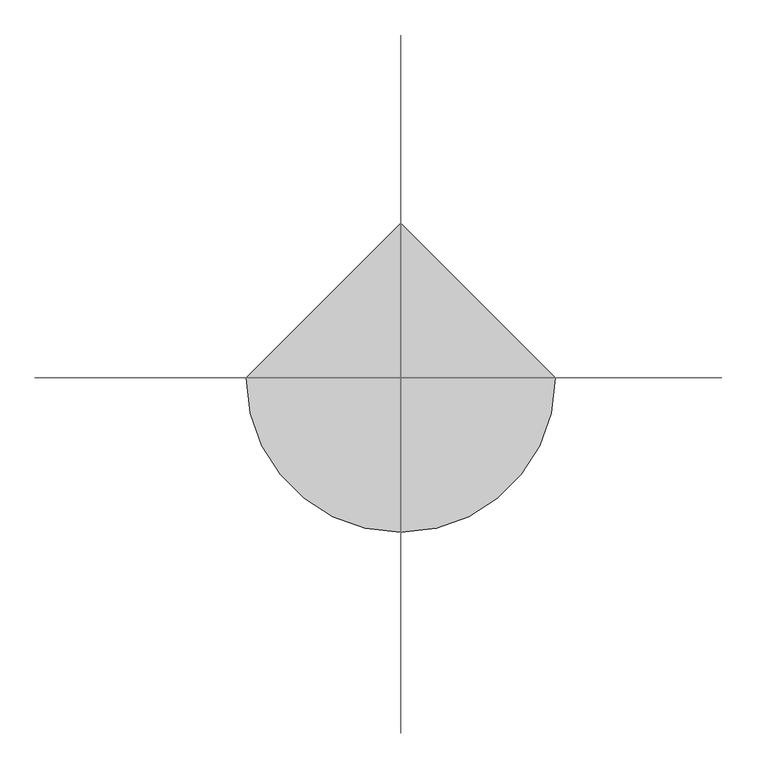
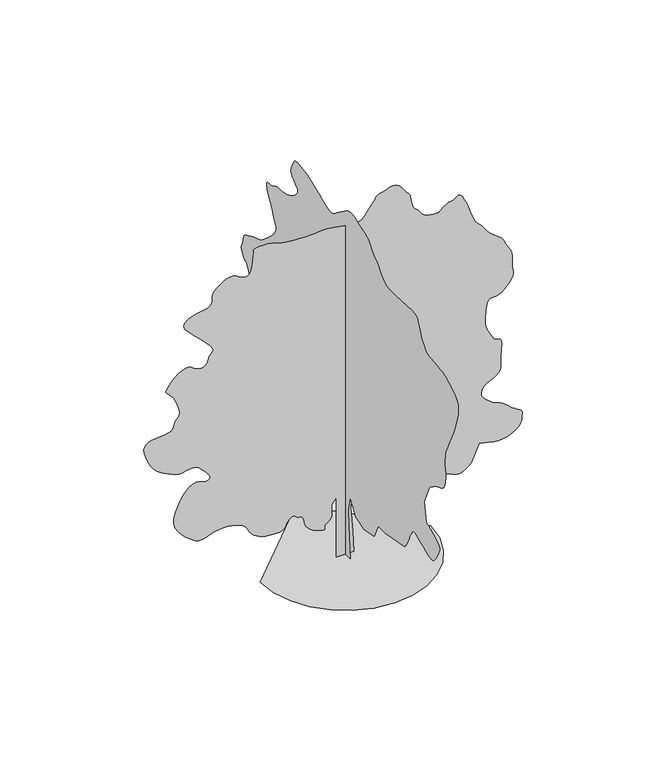
"""IFC4 building model written with IfcOpenShell, lengths in millimetres: geographic element geometry."""

from ifc_helpers import new_model, si_unit, origin, place, context, project, spatial, triangles, source, transform, mapped, element, save


def geographic_element_bd571b27(model_context):
    return source(origin(), model_context, "Body", "Tessellation", [
        triangles([(0.0096603, 171.3641949, 0.0), (0.0096603, -164.3963971, 0.0), (0.0096603, -110.2415995, 639.0272009), (0.0096603, -99.4103565, 942.2937916), (0.0096603, -164.3963971, 1223.8995678), (0.0096603, -337.6926144, 942.2937916), (0.0096603, -619.2970098, 855.6463915), (0.0096603, -944.2257957, 931.4634207), (0.0096603, -1074.1975863, 1202.2374453), (0.0096603, -1301.6486012, 1202.2374453), (0.0096603, -1929.8439777, 1321.3787922), (0.0096603, -1952.9579739, 1349.2612473), (0.0096603, -1975.5119751, 1377.3326443), (0.0096603, -1996.9180813, 1405.7820705), (0.0096603, -2016.6160069, 1434.8039909), (0.0096603, -2034.0460476, 1464.5819698), (0.0096603, -2048.6339653, 1495.3120708), (0.0096603, -2059.8200558, 1527.1620163), (0.0096603, -2070.6840729, 1559.9780365), (0.0096603, -2084.3900677, 1593.3540516), (0.0096603, -2100.4620518, 1627.2060551), (0.0096603, -2118.4240368, 1661.4359425), (0.0096603, -2137.813987, 1695.9460453), (0.0096603, -2158.1419613, 1730.6520664), (0.0096603, -2178.960022, 1765.4419487), (0.0096603, -2188.8720623, 1776.6839951), (0.0096603, -2202.5780571, 1785.7559704), (0.0096603, -2223.8580082, 1790.4600437), (0.0096603, -2256.5060154, 1788.6259987), (0.0096603, -2304.3160332, 1778.0840549), (0.0096603, -2371.0680634, 1756.6359455), (0.0096603, -2460.5559151, 1722.125988), (0.0096603, -2555.0420082, 1681.5120426), (0.0096603, -2635.4998878, 1645.2659992), (0.0096603, -2703.8340889, 1616.3979939), (0.0096603, -2761.9340309, 1597.9600204), (0.0096603, -2811.7039581, 1592.9760223), (0.0096603, -2855.0199188, 1604.4699429), (0.0096603, -2893.8001099, 1635.4799686), (0.0096603, -2932.9299889, 1684.3259697), (0.0096603, -2973.3760666, 1743.7839684), (0.0096603, -3011.1760849, 1808.5480385), (0.0096603, -3042.3398804, 1873.3119633), (0.0096603, -3062.8921143, 1932.7699619), (0.0096603, -3068.8699471, 1981.630061), (0.0096603, -3056.2701347, 2014.5579929), (0.0096603, -3025.4839325, 2039.3519737), (0.0096603, -2981.047982, 2066.9739796), (0.0096603, -2925.2580734, 2096.9760727), (0.0096603, -2860.3538956, 2128.8680214), (0.0096603, -2788.6460632, 2162.1880806), (0.0096603, -2712.3879272, 2196.4460186), (0.0096603, -2633.8619064, 2231.179945), (0.0096603, -2568.8740128, 2599.4361008), (0.0096603, -2731.330085, 2978.5141251), (0.0096603, -2736.4539001, 2985.7520554), (0.0096603, -2744.406031, 2994.5861092), (0.0096603, -2758.0560699, 3006.6539772), (0.0096603, -2780.2180893, 3023.5520737), (0.0096603, -2813.7480194, 3046.8759407), (0.0096603, -2861.5020813, 3078.2641411), (0.0096603, -2926.2940567, 3119.3258789), (0.0096603, -2996.5880219, 3156.5238991), (0.0096603, -3058.9159035, 3180.8279388), (0.0096603, -3113.2919449, 3200.5959183), (0.0096603, -3159.7161461, 3224.1581429), (0.0096603, -3198.1739731, 3259.844046), (0.0096603, -3228.6799599, 3315.9839333), (0.0096603, -3251.2201538, 3400.9220627), (0.0096603, -3264.2679039, 3484.3480751), (0.0096603, -3268.0200005, 3537.8419029), (0.0096603, -3265.1501175, 3572.57612), (0.0096603, -3258.2900711, 3599.7360901), (0.0096603, -3250.1141167, 3630.4940964), (0.0096603, -3243.2680229, 3676.0221313), (0.0096603, -3240.39814, 3747.5200928), (0.0096603, -3241.4059273, 3826.3960922), (0.0096603, -3245.8300758, 3891.817971), (0.0096603, -3255.7419708, 3951.5701378), (0.0096603, -3273.2281128, 4013.3939804), (0.0096603, -3300.3880829, 4085.0739075), (0.0096603, -3339.2941383, 4174.3800842), (0.0096603, -3392.017955, 4289.0681419), (0.0096603, -3442.0820503, 4392.7379768), (0.0096603, -3475.4579201, 4455.2899727), (0.0096603, -3498.0260193, 4493.9719139), (0.0096603, -3515.6798836, 4526.017923), (0.0096603, -3534.2860153, 4568.676075), (0.0096603, -3559.6960922, 4639.1941544), (0.0096603, -3597.8178932, 4754.7920403), (0.0096603, -3638.894165, 4888.5202148), (0.0096603, -3666.5299782, 5003.6841156), (0.0096603, -3676.540123, 5102.9298019), (0.0096603, -3664.751889, 5188.918158), (0.0096603, -3627.0219246, 5264.2937897), (0.0096603, -3559.1641479, 5331.7042099), (0.0096603, -3457.0061394, 5393.8219299), (0.0096603, -3357.8860268, 5444.8798599), (0.0096603, -3292.6879715, 5480.0341095), (0.0096603, -3247.5660164, 5503.2321121), (0.0096603, -3208.6881569, 5518.4922272), (0.0096603, -3162.2360504, 5529.7618881), (0.0096603, -3094.3779831, 5541.0321304), (0.0096603, -2991.2819504, 5556.2922455), (0.0096603, -2880.6959679, 5568.3182556), (0.0096603, -2794.9320168, 5572.9662277), (0.0096603, -2726.9759903, 5578.7338989), (0.0096603, -2669.8280251, 5594.1759796), (0.0096603, -2616.4600616, 5627.8041595), (0.0096603, -2559.871946, 5688.1580338), (0.0096603, -2493.0501526, 5783.7359207), (0.0096603, -2434.6980457, 5888.8202042), (0.0096603, -2400.2159935, 5973.2679565), (0.0096603, -2377.6760902, 6038.9418549), (0.0096603, -2355.122089, 6087.7598053), (0.0096603, -2320.6400368, 6121.6118088), (0.0096603, -2262.2880753, 6142.3878662), (0.0096603, -2168.1240555, 6151.9919312), (0.0096603, -1648.2339867, 6119.4979843), (0.0096603, -1552.4040802, 6121.1781143), (0.0096603, -1474.381953, 6120.9542908), (0.0096603, -1408.0919586, 6124.9023056), (0.0096603, -1347.4972561, 6139.0700455), (0.0096603, -1286.5216175, 6169.5478363), (0.0096603, -1219.1045843, 6222.3701935), (0.0096603, -1139.1827911, 6303.6262802), (0.0096603, -1062.1674339, 6385.6939453), (0.0096603, -1004.4748072, 6441.6102997), (0.0096603, -961.5620195, 6478.40224), (0.0096603, -928.8789854, 6503.0699203), (0.0096603, -901.8814327, 6522.6140762), (0.0096603, -876.0192032, 6544.048233), (0.0096603, -846.7480247, 6574.3998688), (0.0096603, -818.6444349, 6610.240123), (0.0096603, -795.6549952, 6643.6159927), (0.0096603, -772.2889795, 6674.7239777), (0.0096603, -743.0486132, 6703.7320908), (0.0096603, -702.4401907, 6730.8641556), (0.0096603, -644.9687714, 6756.2881851), (0.0096603, -565.1422122, 6780.186145), (0.0096603, -475.5267883, 6806.5200027), (0.0096603, -391.9733854, 6835.6961288), (0.0096603, -313.9136152, 6862.6037888), (0.0096603, -240.7817964, 6882.1200394), (0.0096603, -172.0067974, 6889.1341461), (0.0096603, -107.0204843, 6878.5220032), (0.0096603, -45.2555589, 6845.1740387), (0.0096603, 279.6738084, 6606.8938156), (0.0096603, 314.850186, 6574.8760025), (0.0096603, 348.8912041, 6545.6998764), (0.0096603, 385.9617974, 6522.1943344), (0.0096603, 430.2339861, 6507.2278061), (0.0096603, 485.8728138, 6503.6297699), (0.0096603, 557.0473938, 6514.2419128), (0.0096603, 647.927021, 6541.9059219), (0.0096603, 751.058008, 6582.9819031), (0.0096603, 854.9464342, 6629.1819901), (0.0096603, 957.6980112, 6676.3337631), (0.0096603, 1057.4185959, 6720.2520126), (0.0096603, 1152.2139725, 6756.7922241), (0.0096603, 1240.1872364, 6781.7680252), (0.0096603, 1319.446788, 6791.0221115), (0.0096603, 1391.5370098, 6796.0758728), (0.0096603, 1458.5060326, 6807.5699387), (0.0096603, 1519.2380814, 6820.0023193), (0.0096603, 1572.5640415, 6827.8977676), (0.0096603, 1617.3780212, 6825.7560379), (0.0096603, 1652.5180275, 6808.0739777), (0.0096603, 1676.8640705, 6769.3501785), (0.0096603, 1698.62001, 6720.7002411), (0.0096603, 1723.5959564, 6675.8303055), (0.0096603, 1747.0600765, 6633.2282547), (0.0096603, 1764.2799557, 6591.3819717), (0.0096603, 1770.4960007, 6548.7938736), (0.0096603, 1760.9900402, 6503.923938), (0.0096603, 1731.0299503, 6455.2600479), (0.0096603, 1685.1799873, 6410.6703278), (0.0096603, 1636.0960648, 6375.7399017), (0.0096603, 1591.1980785, 6345.556279), (0.0096603, 1557.8499687, 6315.1761566), (0.0096603, 1543.4579693, 6279.685881), (0.0096603, 1555.3860203, 6234.1578461), (0.0096603, 1601.0540176, 6173.6499115), (0.0096603, 1664.1100525, 6113.3658005), (0.0096603, 1723.5680511, 6069.3923218), (0.0096603, 1779.8060429, 6038.0878372), (0.0096603, 1833.2020569, 6015.8979126), (0.0096603, 1884.1339771, 5999.1820724), (0.0096603, 1932.9940762, 5984.3841385), (0.0096603, 1980.1320419, 5967.8642166), (0.0096603, 2027.2140518, 5955.1382492), (0.0096603, 2075.6260677, 5950.9379242), (0.0096603, 2125.3539917, 5950.532135), (0.0096603, 2176.412067, 5949.1740784), (0.0096603, 2228.8000031, 5942.1320663), (0.0096603, 2282.5179451, 5924.659877), (0.0096603, 2337.5520859, 5892.0543091), (0.0096603, 2394.434079, 5863.0880539), (0.0096603, 2450.3501427, 5852.7003159), (0.0096603, 2500.3999947, 5850.2638367), (0.0096603, 2539.6560287, 5845.1821701), (0.0096603, 2563.1761047, 5826.8420105), (0.0096603, 2566.0459877, 5784.6178436), (0.0096603, 2543.3520241, 5707.9260132), (0.0096603, 2509.8081413, 5627.2158234), (0.0096603, 2481.9618759, 5572.8400726), (0.0096603, 2457.5180191, 5533.9901184), (0.0096603, 2434.2220573, 5499.8858047), (0.0096603, 2409.7780552, 5459.7202332), (0.0096603, 2381.9179825, 5402.6981323), (0.0096603, 2348.3880524, 5318.0120224), (0.0096603, 2312.9540234, 5234.7118744), (0.0096603, 2282.4619892, 5182.0999695), (0.0096603, 2259.1520748, 5149.760083), (0.0096603, 2245.3200703, 5127.2759903), (0.0096603, 2243.2340057, 5104.232048), (0.0096603, 2255.1760094, 5070.1841263), (0.0096603, 2283.4000134, 5014.7439056), (0.0096603, 2333.6460743, 4941.2582748), (0.0096603, 2404.1500557, 4863.2360023), (0.0096603, 2486.0360458, 4785.3959862), (0.0096603, 2570.3718864, 4712.4841576), (0.0096603, 2648.2819565, 4649.2319138), (0.0096603, 2710.8339523, 4600.386058), (0.0096603, 2749.1380096, 4570.664035), (0.0096603, 2783.1440735, 4552.0721466), (0.0096603, 2834.2020035, 4533.2840492), (0.0096603, 2895.4939018, 4514.1180679), (0.0096603, 2960.2021614, 4494.3779938), (0.0096603, 3021.4940598, 4473.8821518), (0.0096603, 3072.5519897, 4452.447995), (0.0096603, 3106.5580536, 4429.8659431), (0.0096603, 3135.0339317, 4411.1060417), (0.0096603, 3171.2939278, 4397.84813), (0.0096603, 3211.1380074, 4384.9681023), (0.0096603, 3250.4219467, 4367.3421432), (0.0096603, 3284.9739075, 4339.8740524), (0.0096603, 3310.6080986, 4297.426062), (0.0096603, 3323.1800056, 4234.9019714), (0.0096603, 3333.4700752, 4172.0979561), (0.0096603, 3351.1521355, 4127.6759583), (0.0096603, 3370.346022, 4094.8041275), (0.0096603, 3385.2000572, 4066.6639847), (0.0096603, 3389.8058807, 4036.452166), (0.0096603, 3378.3121056, 3997.3219963), (0.0096603, 3344.837986, 3942.4701118), (0.0096603, 3303.2861618, 3891.0901085), (0.0096603, 3269.6858871, 3860.3739601), (0.0096603, 3241.3919746, 3840.4519203), (0.0096603, 3215.7441216, 3821.4679047), (0.0096603, 3190.1099304, 3793.580072), (0.0096603, 3161.8160179, 3746.9459999), (0.0096603, 3128.2160339, 3671.6959419), (0.0096603, 3091.5921066, 3596.3200195), (0.0096603, 3057.9921227, 3548.8040245), (0.0096603, 3030.453978, 3518.5221519), (0.0096603, 3012.0161499, 3494.8619682), (0.0096603, 3005.7020004, 3467.2401077), (0.0096603, 3014.5360542, 3425.0159409), (0.0096603, 3041.5701599, 3357.606102), (0.0096603, 3077.4798866, 3283.868161), (0.0096603, 3111.2900322, 3226.621946), (0.0096603, 3143.6020134, 3181.1221069), (0.0096603, 3174.9480652, 3142.6221313), (0.0096603, 3205.929895, 3106.4039932), (0.0096603, 3237.0939812, 3067.722052), (0.0096603, 3269.0141258, 3021.8440384), (0.0096603, 3306.0580856, 2976.5959282), (0.0096603, 3349.1638847, 2939.6781235), (0.0096603, 3393.7820915, 2906.1760986), (0.0096603, 3435.3760643, 2871.1480042), (0.0096603, 3469.3821281, 2829.6941391), (0.0096603, 3491.263932, 2776.85812), (0.0096603, 3496.4720444, 2707.7399551), (0.0096603, 3500.8540443, 2653.4621635), (0.0096603, 3516.9960823, 2635.5559891), (0.0096603, 3535.4060051, 2634.7019714), (0.0096603, 3546.6201462, 2631.580069), (0.0096603, 3541.1460617, 2606.8559967), (0.0096603, 3509.5479904, 2541.2100037), (0.0096603, 3442.3201172, 2415.3079502), (0.0096603, 3372.026152, 2274.0899712), (0.0096603, 3329.5921143, 2170.2099747), (0.0096603, 3303.0620476, 2095.8700356), (0.0096603, 3280.5221443, 2043.3280392), (0.0096603, 3250.0161575, 2004.800013), (0.0096603, 3199.6160362, 1972.530035), (0.0096603, 3117.3940201, 1938.7480854), (0.0096603, 3022.4599892, 1911.3359505), (0.0096603, 2938.9081123, 1899.84203), (0.0096603, 2862.1741333, 1898.9599617), (0.0096603, 2787.7219917, 1903.3839649), (0.0096603, 2710.9880127, 1907.7940155), (0.0096603, 2627.4361359, 1906.9119473), (0.0096603, 2532.5160576, 1895.4180267), (0.0096603, 2437.8479988, 1885.1279572), (0.0096603, 2356.0599678, 1887.3400314), (0.0096603, 2284.1280212, 1895.9919743), (0.0096603, 2219.0139725, 1905.0219463), (0.0096603, 2157.6940235, 1908.367963), (0.0096603, 2097.1299877, 1899.9680397), (0.0096603, 2034.2839691, 1873.7600464), (0.0096603, 1974.1399658, 1845.8999737), (0.0096603, 1924.3979439, 1831.312056), (0.0096603, 1886.2200417, 1822.0300644), (0.0096603, 1860.7400562, 1810.1020134), (0.0096603, 1849.0920753, 1787.5480122), (0.0096603, 1852.4100414, 1746.4439804), (0.0096603, 1871.8280422, 1678.7960747), (0.0096603, 1903.1460434, 1606.9340366), (0.0096603, 1940.7219475, 1556.0859776), (0.0096603, 1983.5200619, 1522.7800163), (0.0096603, 2030.476062, 1503.4880253), (0.0096603, 2080.5539646, 1494.7100727), (0.0096603, 2132.7180771, 1492.9319836), (0.0096603, 2185.9180275, 1494.6680695), (0.0096603, 2391.7179657, 1267.2239582), (0.0096603, 2407.846051, 1241.6137482), (0.0096603, 2423.316037, 1215.5318373), (0.0096603, 2437.4699696, 1188.5020191), (0.0096603, 2449.6219894, 1160.0498314), (0.0096603, 2459.1280952, 1129.7048086), (0.0096603, 2465.3160896, 1096.9910351), (0.0096603, 2467.5281639, 1061.4352112), (0.0096603, 2467.1499893, 1024.3632008), (0.0096603, 2464.5039299, 987.6706003), (0.0096603, 2457.2939049, 951.7368198), (0.0096603, 2443.2799347, 916.9384352), (0.0096603, 2420.1660839, 883.656237), (0.0096603, 2385.6840317, 852.268182), (0.0096603, 2337.5520859, 823.1538254), (0.0096603, 2291.6460217, 798.4283724), (0.0096603, 2259.3760437, 779.1980055), (0.0096603, 2231.8380444, 764.3258028), (0.0096603, 2200.1280613, 752.6736071), (0.0096603, 2155.3560848, 743.1060225), (0.0096603, 2088.6040546, 734.484819), (0.0096603, 1990.9680084, 725.674601), (0.0096603, 1879.9060375, 726.9373873), (0.0096603, 1777.5660633, 746.3890343), (0.0096603, 1682.0439869, 779.6726131), (0.0096603, 1591.4499527, 822.4271982), (0.0096603, 1503.8939598, 870.2988401), (0.0096603, 1417.4579567, 918.927776), (0.0096603, 1330.2772316, 963.9559868), (0.0096603, 1252.5338665, 1004.9116264), (0.0096603, 1192.4107922, 1043.5936403), (0.0096603, 1144.9816378, 1079.0555746), (0.0096603, 1105.3209772, 1110.348432), (0.0096603, 1068.5024397, 1136.5256132), (0.0096603, 1029.5992184, 1156.6408098), (0.0096603, 983.6861778, 1169.7448065), (0.0096603, 933.1938383, 1180.7963848), (0.0096603, 883.4601734, 1194.5009989), (0.0096603, 833.9155958, 1209.5327848), (0.0096603, 783.992989, 1224.5631901), (0.0096603, 733.1212395, 1238.2678768), (0.0096603, 680.7346115, 1249.3193825), (0.0096603, 626.2648258, 1256.3922066), (0.0096603, 570.5629932, 1260.0867485), (0.0096603, 514.8598163, 1262.076162), (0.0096603, 459.15802, 1262.6445866), (0.0096603, 403.4561874, 1262.076162), (0.0096603, 347.7543912, 1260.6551731), (0.0096603, 292.0511961, 1258.6657597), (0.0096603, 236.3493998, 1256.3922066), (0.0096603, 128.040077, 1093.9277773), (0.0096603, 106.3778818, 844.8160206), (157.0492075, 0.0003364, 0.0051588), (-167.8795966, 0.0003364, 0.0051588), (-167.8795966, 0.0002664, 1191.4112165), (-254.5283956, 0.0002664, 1072.2711777), (-254.5283956, 0.0002804, 942.2993872), (-252.5390003, 0.0002804, 912.143379), (-252.5390003, 0.0002804, 882.0811878), (-256.517809, 0.0002804, 852.209392), (-266.4634047, 0.0002944, 822.6218084), (-284.3679986, 0.0002944, 793.4136349), (-312.2196053, 0.0002944, 764.6772348), (-352.0062029, 0.0002944, 736.5106401), (-383.1730142, 0.0002944, 707.2702011), (-391.7942176, 0.0002944, 677.6504248), (-389.8048041, 0.0002944, 651.2534168), (-389.1412182, 0.0002944, 631.6743793), (-401.7412122, 0.0002944, 622.5170168), (-439.5383964, 0.0002944, 627.3806007), (-514.4705958, 0.0002944, 649.8632401), (-599.9504073, 0.0002944, 684.8828321), (-663.8309921, 0.0002944, 724.4482224), (-709.7118399, 0.0002944, 767.8048056), (-741.1950199, 0.0002944, 814.1910004), (-761.8786411, 0.0002804, 862.8508209), (-775.3619751, 0.0002804, 913.026828), (-785.2460375, 0.0002804, 963.9615824), (-787.7716101, 0.0002804, 977.8230183), (-791.5292295, 0.0002804, 991.3064249), (-797.7494167, 0.0002804, 1004.033773), (-807.6655993, 0.0002804, 1015.6215832), (-822.5056091, 0.0002804, 1025.6945875), (-843.5056355, 0.0002804, 1033.8733761), (-871.8934376, 0.0002804, 1039.7786116), (-900.2812397, 0.0002804, 1049.503018), (-922.6056038, 0.0002804, 1065.8605951), (-942.0893709, 0.0002664, 1083.5440361), (-961.95124, 0.0002664, 1097.2485775), (-985.413834, 0.0002664, 1101.6698193), (-1015.6957792, 0.0002664, 1091.5016172), (-1056.0199894, 0.0002804, 1061.439426), (-1091.4806156, 0.0002804, 1019.3792027), (-1111.5958122, 0.0002804, 978.2654331), (-1126.2159954, 0.0002804, 940.3729786), (-1145.1930347, 0.0002804, 907.9742294), (-1178.3814159, 0.0002804, 883.3454275), (-1235.6302471, 0.0002804, 868.7559837), (-1326.794014, 0.0002804, 866.4824306), (-1427.5240574, 0.0002804, 873.1772255), (-1509.3119431, 0.0002804, 884.2288038), (-1575.7420452, 0.0002804, 900.018029), (-1630.4400146, 0.0002804, 920.9214043), (-1676.9900803, 0.0002804, 947.3197929), (-1718.9760349, 0.0002804, 979.592605), (-1760.0380634, 0.0002804, 1018.1164164), (-1794.8559963, 0.0002804, 1060.3655817), (-1819.8460407, 0.0002664, 1102.8065958), (-1841.0280327, 0.0002664, 1144.2983946), (-1864.4920074, 0.0002664, 1183.7070356), (-1896.285997, 0.0002664, 1219.8941437), (-1942.486084, 0.0002664, 1251.7246136), (-2009.1400097, 0.0002664, 1278.06007), (-2076.158012, 0.0002664, 1298.0786156), (-2124.7800442, 0.0002523, 1312.2255718), (-2163.1820606, 0.0002523, 1321.2569973), (-2199.4980125, 0.0002523, 1325.9302586), (-2241.8619965, 0.0002523, 1327.0040302), (-2298.4499668, 0.0002523, 1325.2358242), (-2377.3960201, 0.0002523, 1321.383007), (-2464.1960999, 0.0002523, 1307.7105858), (-2541.3501114, 0.0002664, 1282.2907711), (-2612.4280403, 0.0002664, 1254.5974033), (-2681.0418755, 0.0002664, 1234.1041775), (-2750.8038963, 0.0002664, 1230.2836258), (-2825.2839432, 0.0002664, 1252.6079899), (-2908.1079575, 0.0002523, 1310.5525635), (-2994.7680748, 0.0002523, 1388.042601), (-3074.7780167, 0.0002523, 1464.9599991), (-3142.8599075, 0.0002383, 1544.7320194), (-3193.694014, 0.0002383, 1630.74799), (-3221.9879265, 0.0002383, 1726.4239815), (-3222.4361549, 0.0002243, 1835.1760643), (-3189.7180939, 0.0002243, 1960.4060658), (-3134.9641685, 0.0002103, 2086.7140537), (-3073.9519043, 0.0002103, 2195.0320061), (-3008.4041611, 0.0001963, 2283.260051), (-2940.0141495, 0.0001963, 2349.3119785), (-2870.4759521, 0.0001963, 2391.1159676), (-2801.5121384, 0.0001963, 2406.6000515), (-2734.8159187, 0.0001963, 2393.6499699), (-2671.9139442, 0.0001963, 2371.8659798), (-2616.2219948, 0.0001963, 2362.5700356), (-2572.2618874, 0.0001963, 2366.36399), (-2544.5978783, 0.0001963, 2383.7940308), (-2537.7799805, 0.0001963, 2415.43396), (-2556.3439636, 0.0001963, 2461.8581612), (-2604.8401314, 0.0001822, 2523.6259026), (-2661.4000511, 0.0001822, 2585.5759003), (-2704.5061409, 0.0001822, 2633.3160095), (-2739.2679726, 0.0001822, 2668.5539749), (-2770.8099426, 0.0001822, 2692.9981224), (-2804.2561569, 0.0001822, 2708.3419533), (-2844.701944, 0.0001682, 2716.3080368), (-2897.2859436, 0.0001682, 2718.5759216), (-2951.2140472, 0.0001822, 2713.4939644), (-2995.8741119, 0.0001822, 2701.776075), (-3036.5440132, 0.0001822, 2688.7419868), (-3078.5440659, 0.0001822, 2679.6701569), (-3127.166098, 0.0001822, 2679.8939804), (-3187.7301338, 0.0001822, 2694.7061577), (-3265.541954, 0.0001682, 2729.4118881), (-3348.1139488, 0.0001682, 2770.9360977), (-3420.8301498, 0.0001682, 2806.9580269), (-3485.7901382, 0.0001682, 2843.9458855), (-3545.0519279, 0.0001682, 2888.3120728), (-3600.7299248, 0.0001682, 2946.4960213), (-3654.8821426, 0.0001542, 3024.9659409), (-3709.6081627, 0.0001542, 3130.1621361), (-3754.8559822, 0.0001402, 3239.3200081), (-3779.832074, 0.0001402, 3327.0719193), (-3785.4881241, 0.0001402, 3395.8819633), (-3772.7621567, 0.0001262, 3448.1999908), (-3742.6061485, 0.0001262, 3486.5040482), (-3695.9720764, 0.0001262, 3513.2439857), (-3633.7840118, 0.0001262, 3530.8981407), (-3560.3681442, 0.0001262, 3541.0341499), (-3482.7941002, 0.0001262, 3547.0119827), (-3406.1441277, 0.0001262, 3553.913887), (-3335.5699471, 0.0001262, 3566.8921646), (-3276.1820023, 0.0001262, 3591.0560966), (-3233.0759125, 0.0001262, 3631.5018837), (-3211.3760742, 0.0001121, 3693.3681656), (-3195.345948, 0.0001121, 3753.106089), (-3170.5800179, 0.0001121, 3792.0121445), (-3144.3159233, 0.0001121, 3822.3919762), (-3123.7221222, 0.0001121, 3856.5521004), (-3116.0220108, 9.81e-05, 3906.8260666), (-3128.3979996, 9.81e-05, 3985.5201004), (-3168.0601135, 9.81e-05, 4104.9401367), (-3224.227906, 8.41e-05, 4222.5681313), (-3277.9461388, 8.41e-05, 4296.6139023), (-3324.0758812, 8.41e-05, 4340.5461044), (-3357.5220955, 7.01e-05, 4367.790081), (-3373.1461418, 7.01e-05, 4391.8139053), (-3365.8521103, 7.01e-05, 4426.0859413), (-3330.5158951, 7.01e-05, 4484.0321136), (-3273.5641388, 7.01e-05, 4556.3419441), (-3207.6940315, 5.61e-05, 4622.2120514), (-3137.2739113, 5.61e-05, 4677.8478996), (-3066.6581635, 5.61e-05, 4719.4700684), (-3000.227916, 5.61e-05, 4743.2700691), (-2942.3099396, 5.61e-05, 4745.4821434), (-2897.2859436, 5.61e-05, 4722.3120461), (-2853.1441612, 5.61e-05, 4687.7600853), (-2798.7681198, 5.61e-05, 4660.7960335), (-2739.8420654, 5.61e-05, 4645.0039742), (-2682.0499535, 5.61e-05, 4643.9958961), (-2631.0899826, 5.61e-05, 4661.3701263), (-2592.6321556, 5.61e-05, 4700.7101669), (-2572.3601372, 5.61e-05, 4765.6280067), (-2553.7819107, 5.61e-05, 4827.5219032), (-2524.6060753, 4.21e-05, 4864.2161751), (-2496.7601006, 4.21e-05, 4888.9678619), (-2482.1720375, 4.21e-05, 4915.0499908), (-2492.7838898, 4.21e-05, 4955.7201828), (-2540.523999, 4.21e-05, 5024.2503021), (-2637.3480309, 2.8e-05, 5133.8843079), (-2758.7560272, 2.8e-05, 5257.7279114), (-2867.2839958, 1.4e-05, 5362.0558456), (-2955.3579803, 1.4e-05, 5449.9062973), (-3015.3761192, 1.4e-05, 5524.3017563), (-3039.7920708, 0.0, 5588.2821533), (-3021.0039734, 0.0, 5644.8699783), (-2951.4381615, 0.0, 5697.0900467), (-2858.6601036, 0.0, 5737.3259628), (-2775.5561646, 0.0, 5760.3140945), (-2702.4899849, 0.0, 5772.6900833), (-2639.8400299, -1.4e-05, 5781.090152), (-2587.9838928, -1.4e-05, 5792.1359894), (-2547.3139915, -1.4e-05, 5812.477771), (-2518.1939667, -1.4e-05, 5848.7238144), (-2503.6759575, -1.4e-05, 5891.6060806), (-2501.4638832, -1.4e-05, 5929.1822754), (-2503.9840782, -1.4e-05, 5964.1121201), (-2503.6759575, -1.4e-05, 5999.0419647), (-2492.9379501, -2.8e-05, 6036.6181595), (-2464.1960999, -2.8e-05, 6079.4998444), (-2409.889967, -2.8e-05, 6130.3339508), (-2343.4180069, -2.8e-05, 6180.636113), (-2282.6300022, -2.8e-05, 6219.7662827), (-2226.5880741, -4.21e-05, 6247.1361237), (-2174.3260025, -4.21e-05, 6262.2003204), (-2124.9060539, -4.21e-05, 6264.3839081), (-2077.3759609, -4.21e-05, 6253.1002945), (-2030.812088, -2.8e-05, 6227.8157913), (-1982.8060066, -2.8e-05, 6196.904306), (-1933.3020515, -2.8e-05, 6172.8098465), (-1884.7359753, -2.8e-05, 6161.0221939), (-1839.5720169, -2.8e-05, 6167.0561279), (-1800.2880775, -2.8e-05, 6196.3863144), (-1769.3479603, -4.21e-05, 6254.5281143), (-1749.2019516, -4.21e-05, 6346.9561935), (-1737.1759415, -4.21e-05, 6446.2018799), (-1728.5520493, -5.61e-05, 6522.8942917), (-1722.7699894, -5.61e-05, 6579.7059402), (-1719.2700577, -5.61e-05, 6619.2698044), (-1717.4640633, -5.61e-05, 6644.2461868), (-1716.8059639, -5.61e-05, 6657.2942276), (-1716.7080048, -5.61e-05, 6661.0463242), (-1702.4700657, -5.61e-05, 6663.2578171), (-1663.7879791, -5.61e-05, 6668.1301941), (-1606.7240204, -5.61e-05, 6672.9880371), (-1537.3539814, -5.61e-05, 6675.2001114), (-1461.7260395, -5.61e-05, 6672.1061142), (-1385.9062489, -5.61e-05, 6661.0463242), (-1315.9635704, -5.61e-05, 6639.3877625), (-1251.829549, -5.61e-05, 6615.2938843), (-1187.5065857, -5.61e-05, 6597.8362289), (-1120.15263, -5.61e-05, 6585.6701111), (-1046.9241783, -5.61e-05, 6577.493866), (-964.9822323, -5.61e-05, 6571.9779236), (-871.4818348, -5.61e-05, 6567.7781799), (-763.5823889, -5.61e-05, 6563.5778549), (-659.4420158, -5.61e-05, 6562.9761475), (-573.6779921, -5.61e-05, 6568.057814), (-498.1452115, -5.61e-05, 6575.2259811), (-424.6970057, -5.61e-05, 6580.8820313), (-345.1868154, -5.61e-05, 6581.4139755), (-251.4652104, -5.61e-05, 6573.2383118), (-135.3874211, -5.61e-05, 6552.7418884), (-18.0464196, -5.61e-05, 6528.3677948), (76.5589988, -5.61e-05, 6511.5682388), (152.2177982, -5.61e-05, 6503.2943253), (212.7202098, -5.61e-05, 6504.4837875), (261.8546017, -5.61e-05, 6516.1179611), (303.4094054, -5.61e-05, 6539.1060928), (341.1757957, -5.61e-05, 6574.3998688), (503.6401886, -7.01e-05, 6780.186145), (528.0183881, -7.01e-05, 6811.924324), (547.4699987, -7.01e-05, 6841.7719208), (565.0260129, -7.01e-05, 6869.1417618), (583.7202207, -7.01e-05, 6893.4879501), (606.5821973, -7.01e-05, 6914.2361023), (636.6444248, -7.01e-05, 6930.8118347), (676.9363695, -7.01e-05, 6942.6558792), (726.3228172, -8.41e-05, 6956.2358643), (780.2563711, -8.41e-05, 6974.366153), (836.6526381, -8.41e-05, 6990.9697906), (893.429623, -8.41e-05, 7000.0000534), (948.5000261, -8.41e-05, 6995.3939392), (999.780617, -8.41e-05, 6971.0762375), (1045.1896185, -7.01e-05, 6920.9978989), (1085.5123753, -7.01e-05, 6863.8781296), (1122.4261831, -7.01e-05, 6819.4418884), (1155.1722221, -7.01e-05, 6783.1539871), (1182.9915997, -7.01e-05, 6750.4780746), (1205.1270218, -7.01e-05, 6716.8498947), (1220.8209766, -5.61e-05, 6677.7203064), (1229.3147896, -5.61e-05, 6628.551796), (1235.2199524, -5.61e-05, 6577.5921158), (1243.3988136, -5.61e-05, 6535.158078), (1253.4717453, -5.61e-05, 6499.8218628), (1265.0595554, -4.21e-05, 6470.1701843), (1277.7856682, -4.21e-05, 6444.7740601), (1291.2690022, -4.21e-05, 6422.2341568), (1305.1318188, -4.21e-05, 6401.1081207), (1319.1514572, -4.21e-05, 6391.6023056), (1333.7408283, -4.21e-05, 6380.7663391), (1349.4655952, -4.21e-05, 6367.2840225), (1366.896944, -4.21e-05, 6349.8257858), (1386.6006832, -4.21e-05, 6327.062059), (1409.1420399, -4.21e-05, 6297.6621094), (1435.0980137, -4.21e-05, 6260.3103195), (1473.5699387, -2.8e-05, 6224.8060913), (1527.9459801, -2.8e-05, 6200.5017609), (1590.274007, -2.8e-05, 6185.2701324), (1652.602034, -2.8e-05, 6177.0659821), (1706.9780754, -2.8e-05, 6173.7760666), (1745.4500004, -2.8e-05, 6173.3417908), (1760.0380634, -2.8e-05, 6173.6638641), (1767.5140606, -2.8e-05, 6181.4622253), (1788.0799564, -2.8e-05, 6201.5662308), (1818.8660133, -2.8e-05, 6229.0761795), (1857.0440609, -4.21e-05, 6259.0359787), (1899.7580235, -4.21e-05, 6286.5459274), (1944.1939739, -4.21e-05, 6306.6638855), (1987.4820293, -4.21e-05, 6314.4622467), (2026.2899803, -4.21e-05, 6323.9680618), (2060.5480637, -4.21e-05, 6345.4022186), (2092.3560059, -4.21e-05, 6368.1659454), (2123.7719662, -4.21e-05, 6381.6622147), (2156.8959618, -4.21e-05, 6375.2498154), (2193.8140572, -4.21e-05, 6338.3323013), (2236.5980736, -4.21e-05, 6260.3103195), (2276.8899456, -2.8e-05, 6168.6380081), (2306.9479946, -2.8e-05, 6094.5919464), (2329.8099712, -2.8e-05, 6033.2299942), (2348.4999641, -1.4e-05, 5979.6518692), (2366.0560146, -1.4e-05, 5928.9020599), (2385.5160187, -1.4e-05, 5876.0802841), (2409.889967, -1.4e-05, 5816.2298676), (2434.9359673, 0.0, 5763.7162125), (2456.3701241, 0.0, 5730.3397614), (2477.2441406, 0.0, 5707.3940689), (2500.5819603, 0.0, 5686.1418777), (2529.4081078, 0.0, 5657.8761612), (2566.7598976, 0.0, 5613.8881485), (2615.6760979, 0.0, 5545.456279), (2675.890155, 1.4e-05, 5469.2958115), (2741.9840858, 1.4e-05, 5405.6380692), (2809.2119591, 1.4e-05, 5351.0658188), (2872.8420868, 2.8e-05, 5302.1920578), (2928.1279564, 2.8e-05, 5255.5861816), (2970.3521233, 2.8e-05, 5207.8321198), (2994.7680748, 2.8e-05, 5155.5422882), (3013.9340561, 2.8e-05, 5104.2599533), (3040.6739937, 4.21e-05, 5058.2842712), (3070.6480362, 4.21e-05, 5012.3080078), (3099.473893, 4.21e-05, 4961.0262543), (3122.8120033, 4.21e-05, 4899.1463104), (3136.2940292, 5.61e-05, 4821.3339088), (3135.5661667, 5.61e-05, 4722.3120461), (3134.081955, 5.61e-05, 4627.1399483), (3142.2579094, 7.01e-05, 4557.727906), (3151.1899223, 7.01e-05, 4504.0521126), (3151.9881294, 7.01e-05, 4456.0460312), (3135.7199364, 7.01e-05, 4403.7000984), (3093.5100128, 8.41e-05, 4336.9341156), (3016.4260551, 8.41e-05, 4245.7379379), (2924.9499527, 8.41e-05, 4169.1719719), (2845.5981102, 8.41e-05, 4138.4421616), (2778.5519119, 8.41e-05, 4131.7780334), (2724.0221008, 8.41e-05, 4127.3960335), (2682.1761086, 9.81e-05, 4103.4841209), (2653.2240967, 9.81e-05, 4038.2860657), (2637.3340782, 9.81e-05, 3909.9901176), (2631.3981033, 0.0001121, 3768.0159348), (2632.2939789, 0.0001121, 3668.0979057), (2640.1760559, 0.0001262, 3597.9440483), (2655.2821106, 0.0001262, 3545.2059883), (2677.7659126, 0.0001262, 3497.5920341), (2707.8239616, 0.0001262, 3442.768055), (2745.6518852, 0.0001402, 3368.4420685), (2788.8140762, 0.0001402, 3303.8041534), (2832.3681038, 0.0001402, 3274.4039131), (2872.6880264, 0.0001402, 3262.4340042), (2906.1900513, 0.0001402, 3250.0859207), (2929.2761421, 0.0001402, 3219.5520287), (2938.3340195, 0.0001542, 3153.0101601), (2929.7798904, 0.0001542, 3032.6800049), (2918.1599602, 0.0001682, 2900.0160095), (2916.3821617, 0.0001682, 2802.9821068), (2918.4119797, 0.0001682, 2733.4160042), (2918.1599602, 0.0001822, 2683.1838959), (2909.5639732, 0.0001822, 2644.1240707), (2886.5761322, 0.0001822, 2608.0878983), (2843.1340164, 0.0001822, 2566.9421539), (2790.6479759, 0.0001822, 2528.3578812), (2744.2240654, 0.0001822, 2502.2760429), (2703.3021446, 0.0001822, 2483.9640793), (2667.3081207, 0.0001963, 2468.676059), (2635.6679008, 0.0001963, 2451.693956), (2607.8219261, 0.0001963, 2428.2580318), (2583.182151, 0.0001963, 2393.6499699), (2563.6100899, 0.0001963, 2353.5820667), (2552.5500092, 0.0001963, 2315.7820484), (2551.9201057, 0.0001963, 2278.5559776), (2563.6100899, 0.0002103, 2240.1820118), (2589.4960098, 0.0002103, 2198.9800209), (2631.4960625, 0.0002103, 2153.2140644), (2691.499958, 0.0002103, 2101.2179649), (2755.0879372, 0.0002103, 2055.6480721), (2809.0299934, 0.0002103, 2025.8000393), (2856.8959671, 0.0002243, 2004.8700668), (2902.3120903, 0.0002243, 1986.0260136), (2948.8479126, 0.0002243, 1962.4360291), (3000.1299568, 0.0002243, 1927.2820702), (3059.7420158, 0.0002243, 1873.7600464), (3123.0361176, 0.0002243, 1818.4740314), (3181.3880791, 0.0002243, 1778.910022), (3232.5439682, 0.0002383, 1749.5660282), (3274.2219475, 0.0002383, 1724.9679657), (3304.1541321, 0.0002383, 1699.61399), (3320.0720558, 0.0002383, 1668.0019661), (3319.6938812, 0.0002383, 1624.6440022), (3313.4779816, 0.0002383, 1575.4199718), (3309.7119324, 0.0002523, 1529.2200302), (3302.9219398, 0.0002523, 1485.1060078), (3287.6060143, 0.0002523, 1442.1400257), (3258.2761185, 0.0002523, 1399.3475796), (3209.4299721, 0.0002523, 1355.8019817), (3135.5661667, 0.0002523, 1310.5525635), (3047.3660271, 0.0002664, 1273.9229679), (2959.1801308, 0.0002664, 1254.9138084), (2870.9799911, 0.0002664, 1250.5877644), (2782.7801422, 0.0002664, 1258.0078056), (2694.5939552, 0.0002664, 1274.238065), (2606.3941063, 0.0002664, 1296.342675), (2518.1939667, 0.0002523, 1321.383007), (2366.5600536, 0.0002804, 985.6237776), (2329.4040367, 0.0002804, 953.414043), (2292.0380035, 0.0002804, 922.9108177), (2254.3080391, 0.0002804, 895.8179947), (2216.0039818, 0.0002804, 873.8393944), (2176.9440113, 0.0002804, 858.6829794), (2136.9320641, 0.0002804, 852.0526428), (2095.7860291, 0.0002804, 855.6519871), (2062.2559536, 0.0002804, 863.8293949), (2041.0319584, 0.0002804, 870.6823923), (2025.8840458, 0.0002804, 877.5353897), (2010.5400696, 0.0002804, 885.7127975), (1988.7419815, 0.0002804, 896.5446218), (1954.2600746, 0.0002804, 911.3538197), (1900.83601, 0.0002804, 931.4690163), (1831.2420021, 0.0002804, 960.6771898), (1755.2079803, 0.0002804, 999.3592037), (1676.8919758, 0.0002804, 1043.725173), (1600.4800701, 0.0002664, 1089.9854307), (1530.1160511, 0.0002664, 1134.3514), (1469.9999531, 0.0002664, 1173.0334139), (1424.2759998, 0.0002664, 1202.2430408), (1385.5590317, 0.0002664, 1227.9778072), (1344.0041553, 0.0002664, 1258.2598251), (1300.0792202, 0.0002664, 1292.333036), (1254.2613773, 0.0002523, 1329.4358585), (1207.0212376, 0.0002523, 1368.8122341), (1158.8346439, 0.0002523, 1409.7020348), (1110.1748234, 0.0002523, 1451.3519634), (1099.3429991, 0.0002383, 1613.8219883), (882.7238085, 0.0002383, 1635.4799686), (492.8084006, 0.0002383, 1602.9860218), (232.8662004, 0.0002523, 1462.1880753), (124.5560419, 0.0002664, 1202.2430408), (102.8942645, 0.0002804, 898.9749968), (135.3868579, 0.0003084, 400.7514107), (-1599.3039791, 0.0, 0.0125606), (-1557.0240017, -366.4556116, 0.0125606), (-1436.6099854, -702.9876137, 0.0125606), (-1247.7079983, -999.9513914, 0.0125606), (-999.9513914, -1247.7079983, 0.0125606), (-702.9876137, -1436.6099854, 0.0125606), (-366.4556116, -1557.0240017, 0.0125606), (6.99e-05, -1599.3039791, 0.0125606), (366.4556116, -1557.0240017, 0.0125606), (702.9876137, -1436.6099854, 0.0125606), (999.9513914, -1247.7079983, 0.0125606), (1247.7079983, -999.9513914, 0.0125606), (1436.6099854, -702.9876137, 0.0125606), (1557.0240017, -366.4556116, 0.0125606), (1599.3039791, 0.0001402, 0.0125606), (-0.0002097, 1599.3039791, 0.0125606)], [[1, 2, 3], [368, 1, 3], [368, 3, 4], [367, 368, 4], [367, 4, 5], [277, 278, 279], [366, 367, 5], [276, 277, 279], [276, 279, 280], [7, 8, 9], [6, 7, 9], [5, 6, 9], [315, 316, 317], [201, 202, 203], [200, 201, 203], [200, 203, 204], [199, 200, 204], [199, 204, 205], [198, 199, 205], [198, 205, 206], [198, 206, 207], [197, 198, 207], [197, 207, 208], [275, 276, 280], [196, 197, 208], [195, 196, 208], [194, 195, 208], [194, 208, 209], [193, 194, 209], [192, 193, 209], [192, 209, 210], [191, 192, 210], [191, 210, 211], [191, 211, 212], [190, 191, 212], [190, 212, 213], [190, 213, 214], [189, 190, 214], [189, 214, 215], [188, 189, 215], [187, 188, 215], [186, 187, 215], [10, 11, 12], [314, 315, 317], [10, 12, 13], [10, 13, 14], [10, 14, 15], [10, 15, 16], [10, 16, 17], [10, 17, 18], [10, 18, 19], [10, 19, 20], [10, 20, 21], [10, 21, 22], [185, 186, 215], [185, 215, 216], [275, 280, 281], [10, 22, 23], [167, 168, 169], [166, 167, 169], [165, 166, 169], [165, 169, 170], [164, 165, 170], [164, 170, 171], [163, 164, 171], [163, 171, 172], [163, 172, 173], [163, 173, 174], [163, 174, 175], [163, 175, 176], [163, 176, 177], [163, 177, 178], [163, 178, 179], [163, 179, 180], [162, 163, 180], [161, 162, 180], [160, 161, 180], [159, 160, 180], [159, 180, 181], [158, 159, 181], [157, 158, 181], [156, 157, 181], [156, 181, 182], [155, 156, 182], [154, 155, 182], [154, 182, 183], [9, 10, 23], [9, 23, 24], [9, 24, 25], [45, 46, 47], [44, 45, 47], [44, 47, 48], [43, 44, 48], [43, 48, 49], [42, 43, 49], [42, 49, 50], [41, 42, 50], [40, 41, 50], [40, 50, 51], [39, 40, 51], [38, 39, 51], [37, 38, 51], [36, 37, 51], [35, 36, 51], [34, 35, 51], [33, 34, 51], [33, 51, 52], [32, 33, 52], [32, 52, 53], [31, 32, 53], [30, 31, 53], [29, 30, 53], [28, 29, 53], [28, 53, 54], [27, 28, 54], [26, 27, 54], [5, 9, 25], [5, 25, 26], [5, 26, 54], [5, 54, 55], [366, 5, 55], [365, 366, 55], [364, 365, 55], [363, 364, 55], [362, 363, 55], [361, 362, 55], [361, 55, 56], [153, 154, 183], [153, 183, 184], [313, 314, 317], [360, 361, 56], [184, 185, 216], [153, 184, 216], [152, 153, 216], [152, 216, 217], [243, 244, 245], [242, 243, 245], [242, 245, 246], [241, 242, 246], [241, 246, 247], [241, 247, 248], [240, 241, 248], [240, 248, 249], [240, 249, 250], [239, 240, 250], [239, 250, 251], [238, 239, 251], [237, 238, 251], [236, 237, 251], [235, 236, 251], [234, 235, 251], [233, 234, 251], [232, 233, 251], [231, 232, 251], [230, 231, 251], [229, 230, 251], [228, 229, 251], [228, 251, 252], [227, 228, 252], [226, 227, 252], [226, 252, 253], [226, 253, 254], [226, 254, 255], [226, 255, 256], [226, 256, 257], [225, 226, 257], [224, 225, 257], [223, 224, 257], [222, 223, 257], [222, 257, 258], [221, 222, 258], [220, 221, 258], [115, 116, 117], [114, 115, 117], [114, 117, 118], [113, 114, 118], [113, 118, 119], [112, 113, 119], [111, 112, 119], [110, 111, 119], [152, 217, 218], [313, 317, 318], [313, 318, 319], [313, 319, 320], [313, 320, 321], [313, 321, 322], [313, 322, 323], [313, 323, 324], [313, 324, 325], [313, 325, 326], [313, 326, 327], [313, 327, 328], [313, 328, 329], [313, 329, 330], [313, 330, 331], [313, 331, 332], [313, 332, 333], [313, 333, 334], [313, 334, 335], [313, 335, 336], [313, 336, 337], [313, 337, 338], [313, 338, 339], [313, 339, 340], [313, 340, 341], [312, 313, 341], [312, 341, 342], [312, 342, 343], [311, 312, 343], [311, 343, 344], [311, 344, 345], [310, 311, 345], [310, 345, 346], [310, 346, 347], [310, 347, 348], [309, 310, 348], [309, 348, 349], [309, 349, 350], [308, 309, 350], [308, 350, 351], [307, 308, 351], [307, 351, 352], [307, 352, 353], [307, 353, 354], [307, 354, 355], [307, 355, 356], [307, 356, 357], [307, 357, 358], [306, 307, 358], [306, 358, 359], [306, 359, 360], [306, 360, 56], [305, 306, 56], [305, 56, 57], [304, 305, 57], [303, 304, 57], [302, 303, 57], [301, 302, 57], [301, 57, 58], [301, 58, 59], [110, 119, 120], [109, 110, 120], [109, 120, 121], [301, 59, 60], [300, 301, 60], [300, 60, 61], [151, 152, 218], [109, 121, 122], [300, 61, 62], [145, 146, 147], [144, 145, 147], [143, 144, 147], [143, 147, 148], [142, 143, 148], [141, 142, 148], [140, 141, 148], [140, 148, 149], [139, 140, 149], [138, 139, 149], [137, 138, 149], [136, 137, 149], [135, 136, 149], [134, 135, 149], [133, 134, 149], [132, 133, 149], [132, 149, 150], [131, 132, 150], [130, 131, 150], [129, 130, 150], [128, 129, 150], [127, 128, 150], [126, 127, 150], [126, 150, 151], [126, 151, 218], [125, 126, 218], [124, 125, 218], [123, 124, 218], [123, 218, 219], [122, 123, 219], [109, 122, 219], [108, 109, 219], [108, 219, 220], [108, 220, 258], [108, 258, 259], [108, 259, 260], [108, 260, 261], [108, 261, 262], [107, 108, 262], [107, 262, 263], [107, 263, 264], [106, 107, 264], [106, 264, 265], [106, 265, 266], [106, 266, 267], [106, 267, 268], [105, 106, 268], [104, 105, 268], [103, 104, 268], [102, 103, 268], [101, 102, 268], [100, 101, 268], [99, 100, 268], [98, 99, 268], [97, 98, 268], [96, 97, 268], [95, 96, 268], [94, 95, 268], [93, 94, 268], [92, 93, 268], [91, 92, 268], [90, 91, 268], [89, 90, 268], [88, 89, 268], [87, 88, 268], [86, 87, 268], [85, 86, 268], [84, 85, 268], [83, 84, 268], [82, 83, 268], [81, 82, 268], [80, 81, 268], [79, 80, 268], [78, 79, 268], [77, 78, 268], [76, 77, 268], [75, 76, 268], [74, 75, 268], [73, 74, 268], [72, 73, 268], [71, 72, 268], [70, 71, 268], [69, 70, 268], [68, 69, 268], [67, 68, 268], [66, 67, 268], [65, 66, 268], [64, 65, 268], [63, 64, 268], [62, 63, 268], [300, 62, 268], [299, 300, 268], [298, 299, 268], [297, 298, 268], [296, 297, 268], [295, 296, 268], [294, 295, 268], [293, 294, 268], [292, 293, 268], [291, 292, 268], [290, 291, 268], [289, 290, 268], [288, 289, 268], [287, 288, 268], [286, 287, 268], [285, 286, 268], [284, 285, 268], [283, 284, 268], [282, 283, 268], [281, 282, 268], [275, 281, 268], [275, 268, 269], [274, 275, 269], [274, 269, 270], [274, 270, 271], [273, 274, 271], [272, 273, 271], [802, 369, 370], [802, 370, 371], [801, 802, 371], [800, 801, 371], [575, 576, 577], [799, 800, 371], [574, 575, 577], [383, 384, 385], [383, 385, 386], [382, 383, 386], [382, 386, 387], [381, 382, 387], [381, 387, 388], [794, 795, 796], [510, 511, 512], [574, 577, 578], [573, 574, 578], [572, 573, 578], [572, 578, 579], [571, 572, 579], [571, 579, 580], [570, 571, 580], [570, 580, 581], [570, 581, 582], [569, 570, 582], [569, 582, 583], [569, 583, 584], [568, 569, 584], [568, 584, 585], [509, 510, 512], [509, 512, 513], [508, 509, 513], [508, 513, 514], [508, 514, 515], [507, 508, 515], [507, 515, 516], [507, 516, 517], [507, 517, 518], [507, 518, 519], [507, 519, 520], [507, 520, 521], [507, 521, 522], [506, 507, 522], [506, 522, 523], [505, 506, 523], [505, 523, 524], [504, 505, 524], [568, 585, 586], [504, 524, 525], [538, 539, 540], [538, 540, 541], [537, 538, 541], [537, 541, 542], [536, 537, 542], [536, 542, 543], [536, 543, 544], [535, 536, 544], [535, 544, 545], [535, 545, 546], [534, 535, 546], [534, 546, 547], [533, 534, 547], [533, 547, 548], [381, 388, 389], [380, 381, 389], [380, 389, 390], [380, 390, 391], [380, 391, 392], [380, 392, 393], [379, 380, 393], [378, 379, 393], [377, 378, 393], [376, 377, 393], [375, 376, 393], [374, 375, 393], [373, 374, 393], [372, 373, 393], [372, 393, 394], [372, 394, 395], [372, 395, 396], [372, 396, 397], [372, 397, 398], [371, 372, 398], [371, 398, 399], [532, 533, 548], [371, 399, 400], [567, 568, 586], [567, 586, 587], [657, 658, 659], [657, 659, 660], [656, 657, 660], [656, 660, 661], [655, 656, 661], [655, 661, 662], [654, 655, 662], [654, 662, 663], [653, 654, 663], [652, 653, 663], [651, 652, 663], [650, 651, 663], [649, 650, 663], [649, 663, 664], [648, 649, 664], [647, 648, 664], [647, 664, 665], [647, 665, 666], [647, 666, 667], [647, 667, 668], [647, 668, 669], [793, 794, 796], [713, 714, 715], [713, 715, 716], [712, 713, 716], [712, 716, 717], [711, 712, 717], [646, 647, 669], [711, 717, 718], [567, 587, 588], [645, 646, 669], [645, 669, 670], [750, 751, 752], [749, 750, 752], [748, 749, 752], [748, 752, 753], [747, 748, 753], [747, 753, 754], [747, 754, 755], [747, 755, 756], [747, 756, 757], [747, 757, 758], [747, 758, 759], [747, 759, 760], [746, 747, 760], [746, 760, 761], [746, 761, 762], [745, 746, 762], [745, 762, 763], [745, 763, 764], [744, 745, 764], [743, 744, 764], [743, 764, 765], [742, 743, 765], [741, 742, 765], [741, 765, 766], [740, 741, 766], [739, 740, 766], [738, 739, 766], [737, 738, 766], [736, 737, 766], [735, 736, 766], [644, 645, 670], [567, 588, 589], [792, 793, 796], [371, 400, 401], [371, 401, 402], [371, 402, 403], [371, 403, 404], [371, 404, 405], [799, 371, 405], [799, 405, 406], [766, 767, 768], [488, 489, 490], [488, 490, 491], [487, 488, 491], [487, 491, 492], [486, 487, 492], [486, 492, 493], [485, 486, 493], [485, 493, 494], [485, 494, 495], [484, 485, 495], [483, 484, 495], [483, 495, 496], [482, 483, 496], [481, 482, 496], [480, 481, 496], [479, 480, 496], [479, 496, 497], [478, 479, 497], [477, 478, 497], [476, 477, 497], [475, 476, 497], [474, 475, 497], [473, 474, 497], [472, 473, 497], [471, 472, 497], [471, 497, 498], [470, 471, 498], [469, 470, 498], [469, 498, 499], [468, 469, 499], [468, 499, 500], [468, 500, 501], [468, 501, 502], [468, 502, 503], [467, 468, 503], [466, 467, 503], [466, 503, 504], [466, 504, 525], [465, 466, 525], [465, 525, 526], [464, 465, 526], [463, 464, 526], [735, 766, 768], [735, 768, 769], [735, 769, 770], [735, 770, 771], [735, 771, 772], [735, 772, 773], [735, 773, 774], [735, 774, 775], [735, 775, 776], [735, 776, 777], [735, 777, 778], [735, 778, 779], [735, 779, 780], [735, 780, 781], [735, 781, 782], [735, 782, 783], [735, 783, 784], [735, 784, 785], [735, 785, 786], [735, 786, 787], [735, 787, 788], [735, 788, 789], [735, 789, 790], [735, 790, 791], [735, 791, 792], [735, 792, 796], [734, 735, 796], [733, 734, 796], [732, 733, 796], [731, 732, 796], [731, 796, 797], [730, 731, 797], [567, 589, 590], [455, 456, 457], [454, 455, 457], [453, 454, 457], [453, 457, 458], [452, 453, 458], [451, 452, 458], [451, 458, 459], [450, 451, 459], [449, 450, 459], [448, 449, 459], [447, 448, 459], [446, 447, 459], [445, 446, 459], [444, 445, 459], [443, 444, 459], [442, 443, 459], [441, 442, 459], [440, 441, 459], [439, 440, 459], [438, 439, 459], [437, 438, 459], [437, 459, 460], [436, 437, 460], [435, 436, 460], [434, 435, 460], [434, 460, 461], [433, 434, 461], [432, 433, 461], [431, 432, 461], [430, 431, 461], [429, 430, 461], [428, 429, 461], [428, 461, 462], [427, 428, 462], [411, 412, 413], [411, 413, 414], [410, 411, 414], [410, 414, 415], [409, 410, 415], [409, 415, 416], [409, 416, 417], [408, 409, 417], [408, 417, 418], [408, 418, 419], [408, 419, 420], [408, 420, 421], [408, 421, 422], [408, 422, 423], [408, 423, 424], [408, 424, 425], [408, 425, 426], [407, 408, 426], [407, 426, 427], [407, 427, 462], [406, 407, 462], [799, 406, 462], [799, 462, 463], [799, 463, 526], [798, 799, 526], [798, 526, 527], [798, 527, 528], [798, 528, 529], [798, 529, 530], [798, 530, 531], [797, 798, 531], [730, 797, 531], [729, 730, 531], [728, 729, 531], [728, 531, 532], [728, 532, 548], [728, 548, 549], [728, 549, 550], [727, 728, 550], [726, 727, 550], [725, 726, 550], [724, 725, 550], [723, 724, 550], [722, 723, 550], [721, 722, 550], [720, 721, 550], [719, 720, 550], [718, 719, 550], [711, 718, 550], [710, 711, 550], [709, 710, 550], [708, 709, 550], [707, 708, 550], [706, 707, 550], [705, 706, 550], [704, 705, 550], [703, 704, 550], [702, 703, 550], [701, 702, 550], [701, 550, 551], [701, 551, 552], [701, 552, 553], [701, 553, 554], [701, 554, 555], [701, 555, 556], [701, 556, 557], [701, 557, 558], [701, 558, 559], [700, 701, 559], [699, 700, 559], [698, 699, 559], [697, 698, 559], [696, 697, 559], [617, 618, 619], [616, 617, 619], [615, 616, 619], [615, 619, 620], [614, 615, 620], [613, 614, 620], [613, 620, 621], [612, 613, 621], [612, 621, 622], [611, 612, 622], [610, 611, 622], [609, 610, 622], [608, 609, 622], [607, 608, 622], [606, 607, 622], [605, 606, 622], [604, 605, 622], [604, 622, 623], [604, 623, 624], [604, 624, 625], [604, 625, 626], [604, 626, 627], [604, 627, 628], [604, 628, 629], [604, 629, 630], [604, 630, 631], [604, 631, 632], [603, 604, 632], [603, 632, 633], [602, 603, 633], [602, 633, 634], [602, 634, 635], [602, 635, 636], [602, 636, 637], [602, 637, 638], [602, 638, 639], [602, 639, 640], [602, 640, 641], [601, 602, 641], [643, 644, 670], [643, 670, 671], [567, 590, 591], [566, 567, 591], [692, 693, 694], [692, 694, 695], [691, 692, 695], [691, 695, 696], [690, 691, 696], [680, 681, 682], [689, 690, 696], [679, 680, 682], [679, 682, 683], [678, 679, 683], [559, 560, 561], [559, 561, 562], [559, 562, 563], [566, 591, 592], [642, 643, 671], [642, 671, 672], [642, 672, 673], [642, 673, 674], [642, 674, 675], [642, 675, 676], [600, 601, 641], [688, 689, 696], [687, 688, 696], [686, 687, 696], [685, 686, 696], [684, 685, 696], [683, 684, 696], [678, 683, 696], [677, 678, 696], [676, 677, 696], [642, 676, 696], [641, 642, 696], [600, 641, 696], [599, 600, 696], [598, 599, 696], [597, 598, 696], [596, 597, 696], [595, 596, 696], [594, 595, 696], [593, 594, 696], [592, 593, 696], [566, 592, 696], [565, 566, 696], [564, 565, 696], [564, 696, 559], [564, 559, 563], [817, 818, 803], [816, 817, 803], [816, 803, 804], [815, 816, 804], [815, 804, 805], [815, 805, 806], [814, 815, 806], [813, 814, 806], [813, 806, 807], [813, 807, 808], [813, 808, 809], [813, 809, 810], [813, 810, 811], [813, 811, 812]], closed=False),
    ])


if __name__ == "__main__":
    model = new_model("IFC4")
    model_context = context("Model", 3, world=origin())
    ifc_project = project(units=[si_unit("LENGTHUNIT", "METRE", prefix="MILLI")], contexts=[model_context])
    site = spatial("IfcSite", under=ifc_project)
    building = spatial("IfcBuilding", under=site)
    placement = place(None, origin())
    geographic_element_shape = geographic_element_bd571b27(model_context)
    element("IfcGeographicElement", 1, at=placement, inside=building, context=model_context, shape_type="MappedRepresentation", body=[
        mapped(geographic_element_shape, transform((0.0, 0.0, 0.0), x_axis=(1.0, 0.0, 0.0), y_axis=(0.0, 1.0, 0.0), z_axis=(0.0, 0.0, 1.0))),
    ])
    save(model, "model.ifc")
